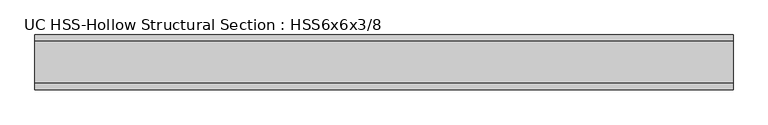
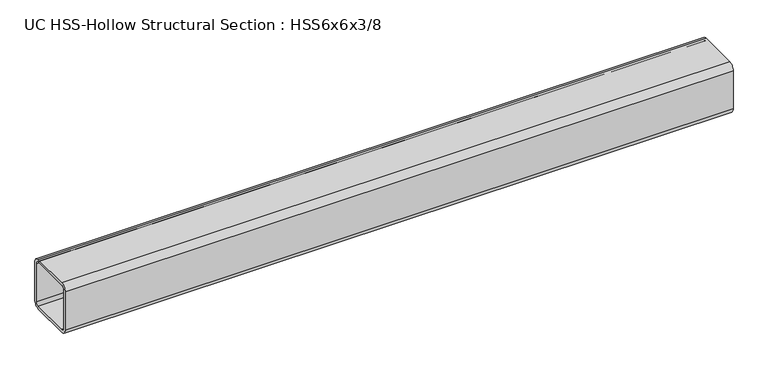
"""IFC4 building model written with IfcOpenShell, lengths in millimetres: beam geometry, UC HSS-Hollow Structural Section : HSS6x6x3/8."""

from ifc_helpers import new_model, si_unit, point, frame, frame_2d, origin, place, context, project, spatial, polyline, circle_curve, trimmed, segment, composite_curve, outline, extrude, source, transform, mapped, element, save


def uc_hss_hollow_structural_section_hss6x6x3_8_859cea79(model_context):
    return source(origin(), model_context, "Body", "SweptSolid", [
        extrude(outline(composite_curve([segment(trimmed(circle_curve(frame_2d((-58.4708, 58.4708)), 17.7292), [point((-76.2, 58.4708))], [point((-58.4708, 76.2))], False, "CARTESIAN"), True, "CONTINUOUS"), segment(polyline([(-58.4708, 76.2), (58.4708, 76.2)]), True, "CONTINUOUS"), segment(trimmed(circle_curve(frame_2d((58.4708, 58.4708)), 17.7292), [point((58.4708, 76.2))], [point((76.2, 58.4708))], False, "CARTESIAN"), True, "CONTINUOUS"), segment(polyline([(76.2, 58.4708), (76.2, -58.4708)]), True, "CONTINUOUS"), segment(trimmed(circle_curve(frame_2d((58.4708, -58.4708)), 17.7292), [point((76.2, -58.4708))], [point((58.4708, -76.2))], False, "CARTESIAN"), True, "CONTINUOUS"), segment(polyline([(58.4708, -76.2), (-58.4708, -76.2)]), True, "CONTINUOUS"), segment(trimmed(circle_curve(frame_2d((-58.4708, -58.4708)), 17.7292), [point((-58.4708, -76.2))], [point((-76.2, -58.4708))], False, "CARTESIAN"), True, "CONTINUOUS"), segment(polyline([(-76.2, -58.4708), (-76.2, 58.4708)]), True, "CONTINUOUS")], self_intersect=False), holes=[composite_curve([segment(polyline([(58.4708, 67.3354), (-58.4708, 67.3354)]), True, "CONTINUOUS"), segment(trimmed(circle_curve(frame_2d((-58.4708, 58.4708)), 8.8646), [point((-58.4708, 67.3354))], [point((-67.3354, 58.4708))], True, "CARTESIAN"), True, "CONTINUOUS"), segment(polyline([(-67.3354, 58.4708), (-67.3354, -58.4708)]), True, "CONTINUOUS"), segment(trimmed(circle_curve(frame_2d((-58.4708, -58.4708)), 8.8646), [point((-67.3354, -58.4708))], [point((-58.4708, -67.3354))], True, "CARTESIAN"), True, "CONTINUOUS"), segment(polyline([(-58.4708, -67.3354), (58.4708, -67.3354)]), True, "CONTINUOUS"), segment(trimmed(circle_curve(frame_2d((58.4708, -58.4708)), 8.8646), [point((58.4708, -67.3354))], [point((67.3354, -58.4708))], True, "CARTESIAN"), True, "CONTINUOUS"), segment(polyline([(67.3354, -58.4708), (67.3354, 58.4708)]), True, "CONTINUOUS"), segment(trimmed(circle_curve(frame_2d((58.4708, 58.4708)), 8.8646), [point((67.3354, 58.4708))], [point((58.4708, 67.3354))], True, "CARTESIAN"), True, "CONTINUOUS")], self_intersect=False)]), frame((-901.6127543, 0.0, 0.0), z_axis=(1.0, 0.0, 0.0), x_axis=(0.0, 1.0, 0.0)), (0.0, 0.0, 1.0), 1939.6025577),
    ])


if __name__ == "__main__":
    model = new_model("IFC4")
    model_context = context("Model", 3, world=origin())
    ifc_project = project(units=[si_unit("LENGTHUNIT", "METRE", prefix="MILLI")], contexts=[model_context])
    site = spatial("IfcSite", under=ifc_project)
    building = spatial("IfcBuilding", under=site)
    placement = place(None, origin())
    uc_hss_hollow_structural_section_hss6x6x3_8_shape = uc_hss_hollow_structural_section_hss6x6x3_8_859cea79(model_context)
    element("IfcBeam", 1, ObjectType="UC HSS-Hollow Structural Section : HSS6x6x3/8", at=placement, inside=building, context=model_context, shape_type="MappedRepresentation", body=[
        mapped(uc_hss_hollow_structural_section_hss6x6x3_8_shape, transform((0.0, 0.0, 0.0), x_axis=(1.0, 0.0, 0.0), y_axis=(0.0, 1.0, 0.0), z_axis=(0.0, 0.0, 1.0))),
    ])
    save(model, "model.ifc")
